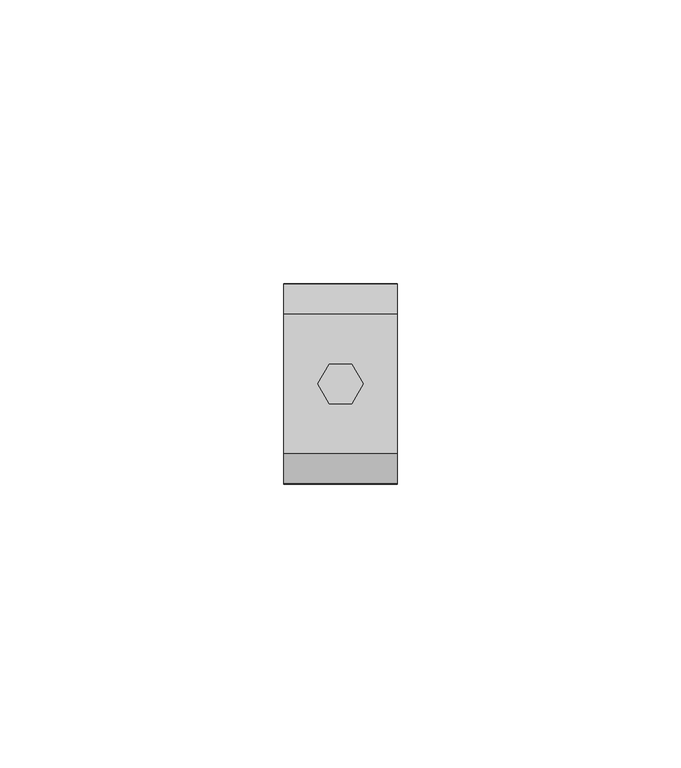
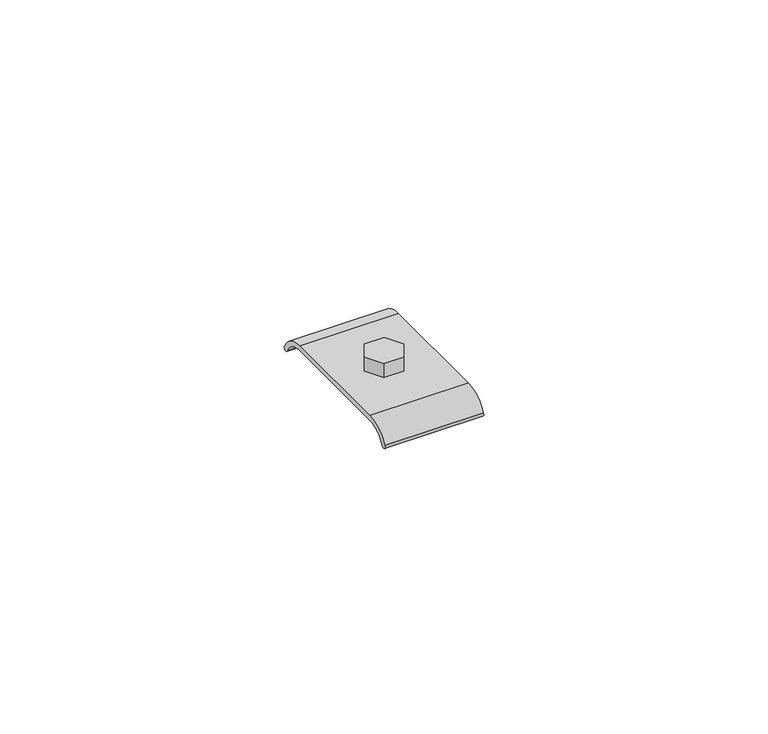
"""IFC4 building model written with IfcOpenShell, lengths in millimetres: beam geometry."""

from ifc_helpers import new_model, si_unit, point, frame, frame_2d, origin, place, context, project, spatial, polyline, circle_curve, trimmed, segment, composite_curve, outline, extrude, source, transform, mapped, element, save


def beam_fb6a3109(model_context):
    return source(origin(), model_context, "Body", "SweptSolid", [
        extrude(outline(polyline([(2.0, 3.4641016), (4.0, 0.0), (2.0, -3.4641016), (-2.0, -3.4641016), (-4.0, 0.0), (-2.0, 3.4641016), (2.0, 3.4641016)])), frame((0.0, 0.0, -25.7896475), z_axis=(0.0, 0.0, 1.0), x_axis=(1.0, 0.0, 0.0)), (0.0, 0.0, 1.0), 3.0),
        extrude(outline(composite_curve([segment(polyline([(12.3305549, -26.7896475), (-12.3305549, -26.7896475)]), True, "CONTINUOUS"), segment(trimmed(circle_curve(frame_2d((-12.4202706, -31.545945)), 4.7571435), [point((-12.3305549, -26.7896475))], [point((-16.7326107, -29.5374287))], True, "CARTESIAN"), True, "CONTINUOUS"), segment(trimmed(circle_curve(frame_2d((-17.1921383, -29.3233991)), 0.5069263), [point((-16.7326107, -29.5374287))], [point((-17.5859505, -29.0042029))], False, "CARTESIAN"), True, "CONTINUOUS"), segment(trimmed(circle_curve(frame_2d((-12.4202706, -31.545945)), 5.7571435), [point((-17.5859505, -29.0042029))], [point((-12.3215741, -25.7896475))], False, "CARTESIAN"), True, "CONTINUOUS"), segment(polyline([(-12.3215741, -25.7896475), (12.3215741, -25.7896475)]), True, "CONTINUOUS"), segment(trimmed(circle_curve(frame_2d((12.4202706, -31.545945)), 5.7571435), [point((12.3215741, -25.7896475))], [point((17.5859505, -29.0042029))], False, "CARTESIAN"), True, "CONTINUOUS"), segment(trimmed(circle_curve(frame_2d((17.1921383, -29.3233991)), 0.5069263), [point((17.5859505, -29.0042029))], [point((16.7326107, -29.5374287))], False, "CARTESIAN"), True, "CONTINUOUS"), segment(trimmed(circle_curve(frame_2d((12.4202706, -31.545945)), 4.7571435), [point((16.7326107, -29.5374287))], [point((12.3305549, -26.7896475))], True, "CARTESIAN"), True, "CONTINUOUS")], self_intersect=False)), frame((-10.003063, 0.0, 0.0), z_axis=(1.0, 0.0, 0.0), x_axis=(0.0, 1.0, 0.0)), (0.0, 0.0, 1.0), 20.0061261),
    ])


if __name__ == "__main__":
    model = new_model("IFC4")
    model_context = context("Model", 3, world=origin())
    ifc_project = project(units=[si_unit("LENGTHUNIT", "METRE", prefix="MILLI")], contexts=[model_context])
    site = spatial("IfcSite", under=ifc_project)
    building = spatial("IfcBuilding", under=site)
    placement = place(None, origin())
    beam_shape = beam_fb6a3109(model_context)
    element("IfcBeam", 1, at=placement, inside=building, context=model_context, shape_type="MappedRepresentation", body=[
        mapped(beam_shape, transform((0.0, 0.0, 0.0), x_axis=(1.0, 0.0, 0.0), y_axis=(0.0, 1.0, 0.0), z_axis=(0.0, 0.0, 1.0))),
    ])
    save(model, "model.ifc")
